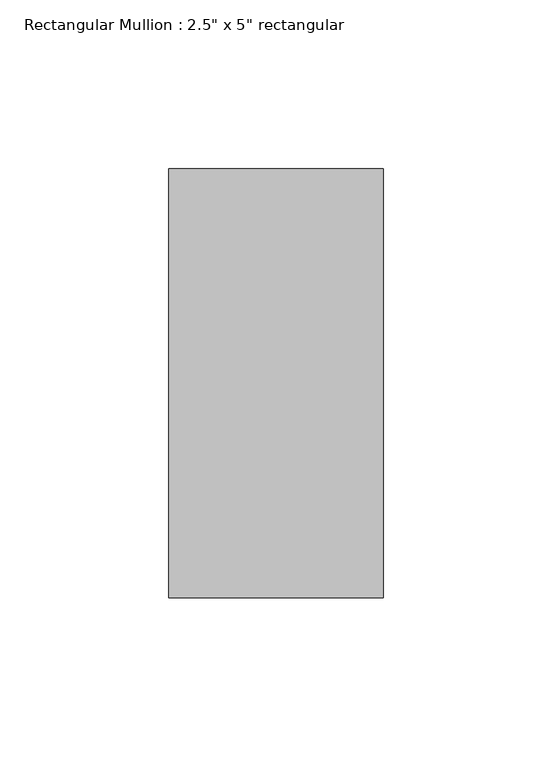
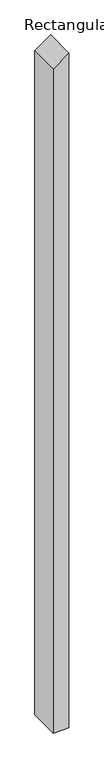
"""IFC4 building model written with IfcOpenShell, lengths in millimetres: member geometry."""

from ifc_helpers import new_model, si_unit, frame, origin, place, context, project, spatial, polyline, outline, extrude, source, transform, mapped, element, save


def member_bbe327b3(model_context):
    return source(origin(), model_context, "Body", "SweptSolid", [
        extrude(outline(polyline([(0.0, 0.0), (-46.0068219, -63.5), (-2871.8440621, -63.5), (-2871.8440621, 0.0), (0.0, 0.0)])), frame((0.0, -63.5, 0.0), z_axis=(0.0, 1.0, 0.0), x_axis=(0.0, 0.0, 1.0)), (0.0, 0.0, 1.0), 127.0),
    ])


if __name__ == "__main__":
    model = new_model("IFC4")
    model_context = context("Model", 3, world=origin())
    ifc_project = project(units=[si_unit("LENGTHUNIT", "METRE", prefix="MILLI")], contexts=[model_context])
    site = spatial("IfcSite", under=ifc_project)
    building = spatial("IfcBuilding", under=site)
    placement = place(None, origin())
    member_shape = member_bbe327b3(model_context)
    element("IfcMember", 1, ObjectType="Rectangular Mullion : 2.5\" x 5\" rectangular", at=placement, inside=building, context=model_context, shape_type="MappedRepresentation", body=[
        mapped(member_shape, transform((0.0, 0.0, 0.0), x_axis=(1.0, 0.0, 0.0), y_axis=(0.0, 1.0, 0.0), z_axis=(0.0, 0.0, 1.0))),
    ])
    save(model, "model.ifc")
